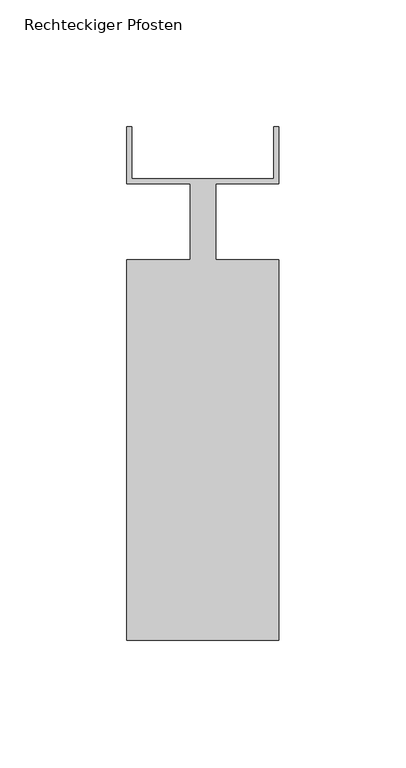
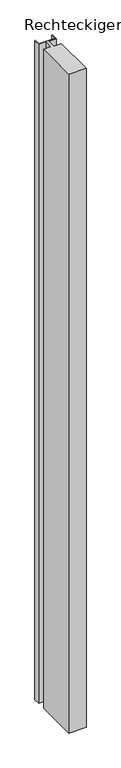
"""IFC4 building model written with IfcOpenShell, lengths in millimetres: member geometry, Rechteckiger Pfosten."""

from ifc_helpers import new_model, si_unit, frame, origin, place, context, project, spatial, polyline, outline, extrude, source, transform, mapped, element, save


def rechteckiger_pfosten_6f116a42(model_context):
    return source(origin(), model_context, "Body", "SweptSolid", [
        extrude(outline(polyline([(-58.0, 37.5), (-58.0, 17.0), (-2.0, 17.0), (-2.0, 37.5), (0.0, 37.5), (0.0, 15.0), (-25.0, 15.0), (-25.0, -15.0), (0.0, -15.0), (0.0, -165.0), (-60.0, -165.0), (-60.0, -15.0), (-35.0, -15.0), (-35.0, 15.0), (-60.0, 15.0), (-60.0, 37.5), (-58.0, 37.5)])), frame((0.0, 0.0, -2409.9999997), z_axis=(0.0, 0.0, 1.0), x_axis=(1.0, 0.0, 0.0)), (0.0, 0.0, 1.0), 2409.9999997),
    ])


if __name__ == "__main__":
    model = new_model("IFC4")
    model_context = context("Model", 3, world=origin())
    ifc_project = project(units=[si_unit("LENGTHUNIT", "METRE", prefix="MILLI")], contexts=[model_context])
    site = spatial("IfcSite", under=ifc_project)
    building = spatial("IfcBuilding", under=site)
    placement = place(None, origin())
    rechteckiger_pfosten_shape = rechteckiger_pfosten_6f116a42(model_context)
    element("IfcMember", 1, ObjectType="Rechteckiger Pfosten", at=placement, inside=building, context=model_context, shape_type="MappedRepresentation", body=[
        mapped(rechteckiger_pfosten_shape, transform((0.0, 0.0, 0.0), x_axis=(1.0, 0.0, 0.0), y_axis=(0.0, 1.0, 0.0), z_axis=(0.0, 0.0, 1.0))),
    ])
    save(model, "model.ifc")
